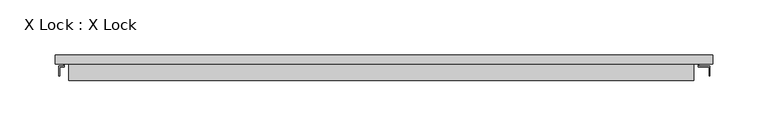
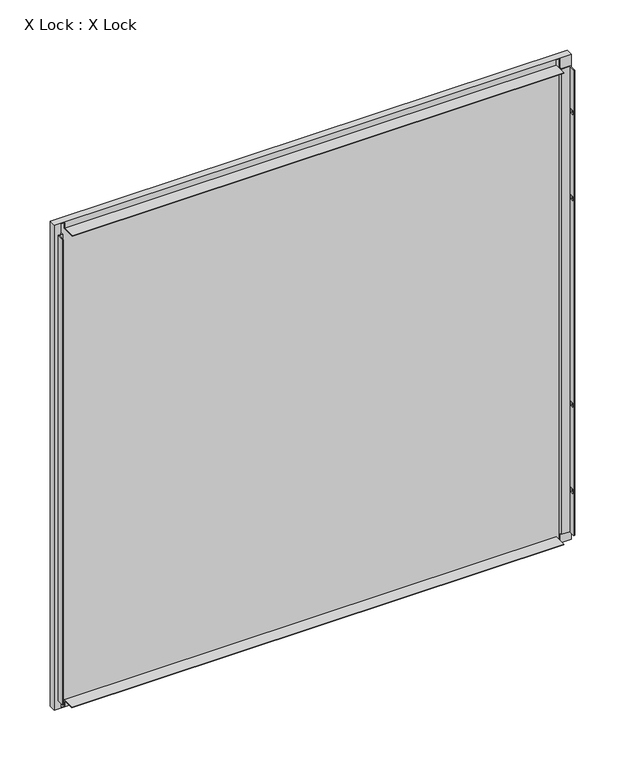
"""IFC4 building model written with IfcOpenShell, lengths in millimetres: plate geometry, X Lock : X Lock."""

from ifc_helpers import new_model, si_unit, frame, origin, place, context, project, spatial, polyline, outline, extrude, faceted_brep, source, transform, mapped, element, save


def x_lock_x_lock_54da5540(model_context):
    return source(origin(), model_context, "Body", "SolidModel", [
        extrude(outline(polyline([(290.0, 7.2), (-285.0, 7.2), (-285.0, 8.0), (290.0, 8.0), (290.0, 7.2)])), frame((0.0, 0.0, 3.0), z_axis=(0.0, 0.0, 1.0), x_axis=(1.0, 0.0, 0.0)), (0.0, 0.0, 1.0), 570.0),
        faceted_brep([(300.0, 8.0, 583.0), (-295.0, 8.0, 583.0), (-295.0, 0.0, 583.0), (300.0, 0.0, 583.0), (-295.0, 8.0, -7.0), (-295.0, 0.0, -7.0), (300.0, 8.0, -7.0), (300.0, 0.0, -7.0), (299.2, 7.2, 582.2), (299.2, 7.2, -6.2), (299.2, 0.8, -6.2), (299.2, 0.8, 582.2), (-294.2, 7.2, -6.2), (-294.2, 0.8, -6.2), (-286.7, 0.8, -6.2), (-286.7, 0.0, -6.2), (-283.0, 0.0, -6.2), (-283.0, 0.8, -6.2), (283.0, 0.8, -6.2), (283.0, 0.0, -6.2), (286.7, 0.0, -6.2), (286.7, 0.8, -6.2), (-294.2, 7.2, 582.2), (-294.2, 0.8, 582.2), (286.7, 0.8, 582.2), (286.7, 0.0, 582.2), (283.0, 0.0, 582.2), (283.0, 0.8, 582.2), (-283.0, 0.8, 582.2), (-283.0, 0.0, 582.2), (-286.7, 0.0, 582.2), (-286.7, 0.8, 582.2), (-285.0, 7.2, 573.0), (290.0, 7.2, 573.0), (290.0, 7.2, 3.0), (-285.0, 7.2, 3.0), (-285.0, 8.0, 573.0), (-285.0, 8.0, 3.0), (290.0, 8.0, 3.0), (290.0, 8.0, 573.0), (286.7, -2.7949633, 571.0), (296.7, -2.7949633, 571.0), (296.7, -11.0, 571.0), (297.5, -11.0, 571.0), (297.5, -2.0, 571.0), (287.5, -2.0, 571.0), (287.5, 0.0, 571.0), (286.7, 0.0, 571.0), (287.5, 0.0, 5.0), (287.5, -2.0, 5.0), (297.5, -2.0, 5.0), (297.5, -11.0, 5.0), (296.7, -11.0, 5.0), (296.7, -2.7949633, 5.0), (286.7, -2.7949633, 5.0), (286.7, 0.0, 5.0), (296.7, -5.0, 416.0), (296.7, -9.0, 416.0), (296.7, -9.0, 411.0), (296.7, -5.0, 411.0), (296.7, -5.0, 60.0), (296.7, -9.0, 60.0), (296.7, -9.0, 55.0), (296.7, -5.0, 55.0), (296.7, -5.0, 521.0), (296.7, -9.0, 521.0), (296.7, -9.0, 516.0), (296.7, -5.0, 516.0), (296.7, -5.0, 165.0), (296.7, -9.0, 165.0), (296.7, -9.0, 160.0), (296.7, -5.0, 160.0), (297.5, -9.0, 416.0), (297.5, -5.0, 416.0), (297.5, -5.0, 411.0), (297.5, -9.0, 411.0), (297.5, -9.0, 60.0), (297.5, -5.0, 60.0), (297.5, -5.0, 55.0), (297.5, -9.0, 55.0), (297.5, -9.0, 521.0), (297.5, -5.0, 521.0), (297.5, -5.0, 516.0), (297.5, -9.0, 516.0), (297.5, -9.0, 165.0), (297.5, -5.0, 165.0), (297.5, -5.0, 160.0), (297.5, -9.0, 160.0), (-287.5, 0.0, 571.0), (-287.5, -2.0, 571.0), (-291.7, -2.0, 571.0), (-291.7, -11.0, 571.0), (-290.9, -11.0, 571.0), (-290.9, -2.7949633, 571.0), (-286.7, -2.7949633, 571.0), (-286.7, 0.0, 571.0), (-286.7, -2.7949633, 5.0), (-290.9, -2.7949633, 5.0), (-290.9, -11.0, 5.0), (-291.7, -11.0, 5.0), (-291.7, -2.0, 5.0), (-287.5, -2.0, 5.0), (-287.5, 0.0, 5.0), (-286.7, 0.0, 5.0), (-283.0, 0.8, 574.7), (-283.0, -15.0, 574.7), (-283.0, -15.0, 575.5), (-283.0, 0.0, 575.5), (283.0, 0.0, 575.5), (283.0, -15.0, 575.5), (283.0, -15.0, 574.7), (283.0, 0.8, 574.7), (-283.0, 0.0, 0.5), (-283.0, -14.2, 0.5), (-283.0, -14.2, 1.3), (-283.0, 0.8, 1.3), (283.0, 0.8, 1.3), (283.0, -14.2, 1.3), (283.0, -14.2, 0.5), (283.0, 0.0, 0.5)], [[[0, 1, 2, 3]], [[1, 4, 5, 2]], [[4, 6, 7, 5]], [[8, 9, 10, 11]], [[9, 12, 13, 14, 15, 16, 17, 18, 19, 20, 21, 10]], [[12, 22, 23, 13]], [[22, 8, 11, 24, 25, 26, 27, 28, 29, 30, 31, 23]], [[9, 8, 22, 12], [32, 33, 34, 35]], [[1, 0, 6, 4], [36, 37, 38, 39]], [[33, 32, 36, 39]], [[34, 33, 39, 38]], [[35, 34, 38, 37]], [[32, 35, 37, 36]], [[40, 41, 42, 43, 44, 45, 46, 47]], [[48, 49, 50, 51, 52, 53, 54, 55]], [[14, 13, 23, 31]], [[10, 21, 24, 11]], [[54, 40, 47, 25, 24, 21, 20, 55]], [[41, 40, 54, 53]], [[42, 41, 53, 52], [56, 57, 58, 59], [60, 61, 62, 63], [64, 65, 66, 67], [68, 69, 70, 71]], [[43, 42, 52, 51]], [[44, 43, 51, 50], [72, 73, 74, 75], [76, 77, 78, 79], [80, 81, 82, 83], [84, 85, 86, 87]], [[45, 44, 50, 49]], [[46, 45, 49, 48]], [[88, 89, 90, 91, 92, 93, 94, 95]], [[96, 97, 98, 99, 100, 101, 102, 103]], [[94, 96, 103, 15, 14, 31, 30, 95]], [[94, 93, 97, 96]], [[93, 92, 98, 97]], [[92, 91, 99, 98]], [[91, 90, 100, 99]], [[90, 89, 101, 100]], [[89, 88, 102, 101]], [[104, 105, 106, 107, 29, 28]], [[108, 109, 110, 111, 27, 26]], [[111, 104, 28, 27]], [[105, 104, 111, 110]], [[107, 106, 109, 108]], [[112, 113, 114, 115, 17, 16]], [[116, 117, 118, 119, 19, 18]], [[113, 112, 119, 118]], [[115, 114, 117, 116]], [[115, 116, 18, 17]], [[3, 7, 6, 0]], [[7, 3, 2, 5], [46, 48, 55, 20, 19, 119, 112, 16, 15, 103, 102, 88, 95, 30, 29, 107, 108, 26, 25, 47]], [[56, 73, 72, 57]], [[57, 72, 75, 58]], [[58, 75, 74, 59]], [[73, 56, 59, 74]], [[76, 61, 60, 77]], [[61, 76, 79, 62]], [[62, 79, 78, 63]], [[77, 60, 63, 78]], [[106, 105, 110, 109]], [[114, 113, 118, 117]], [[64, 81, 80, 65]], [[65, 80, 83, 66]], [[66, 83, 82, 67]], [[81, 64, 67, 82]], [[68, 85, 84, 69]], [[69, 84, 87, 70]], [[70, 87, 86, 71]], [[85, 68, 71, 86]]]),
        extrude(outline(polyline([(299.2, 5.5297993), (-294.2, 5.5297993), (-294.2, 7.2), (299.2, 7.2), (299.2, 5.5297993)])), frame((0.0, 0.0, -6.2), z_axis=(0.0, 0.0, 1.0), x_axis=(1.0, 0.0, 0.0)), (0.0, 0.0, 1.0), 588.4),
    ])


if __name__ == "__main__":
    model = new_model("IFC4")
    model_context = context("Model", 3, world=origin())
    ifc_project = project(units=[si_unit("LENGTHUNIT", "METRE", prefix="MILLI")], contexts=[model_context])
    site = spatial("IfcSite", under=ifc_project)
    building = spatial("IfcBuilding", under=site)
    placement = place(None, origin())
    x_lock_x_lock_shape = x_lock_x_lock_54da5540(model_context)
    element("IfcPlate", 1, ObjectType="X Lock : X Lock", at=placement, inside=building, context=model_context, shape_type="MappedRepresentation", body=[
        mapped(x_lock_x_lock_shape, transform((0.0, 0.0, 0.0), x_axis=(1.0, 0.0, 0.0), y_axis=(0.0, 1.0, 0.0), z_axis=(0.0, 0.0, 1.0))),
    ])
    save(model, "model.ifc")
